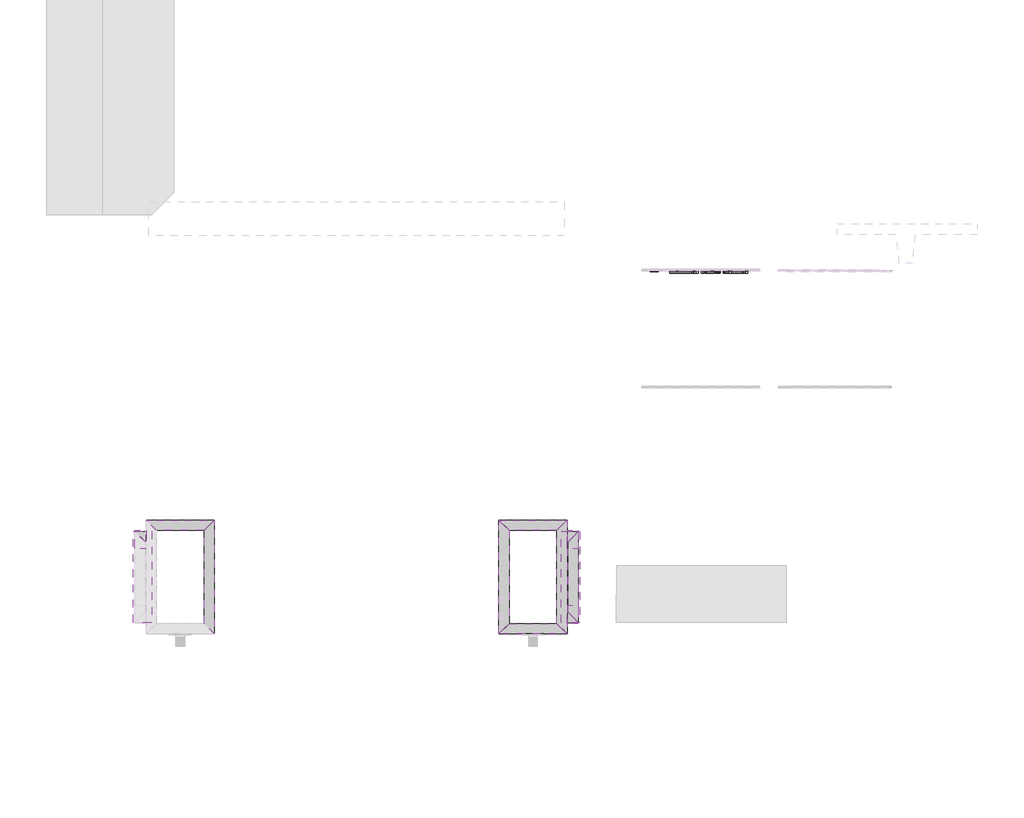
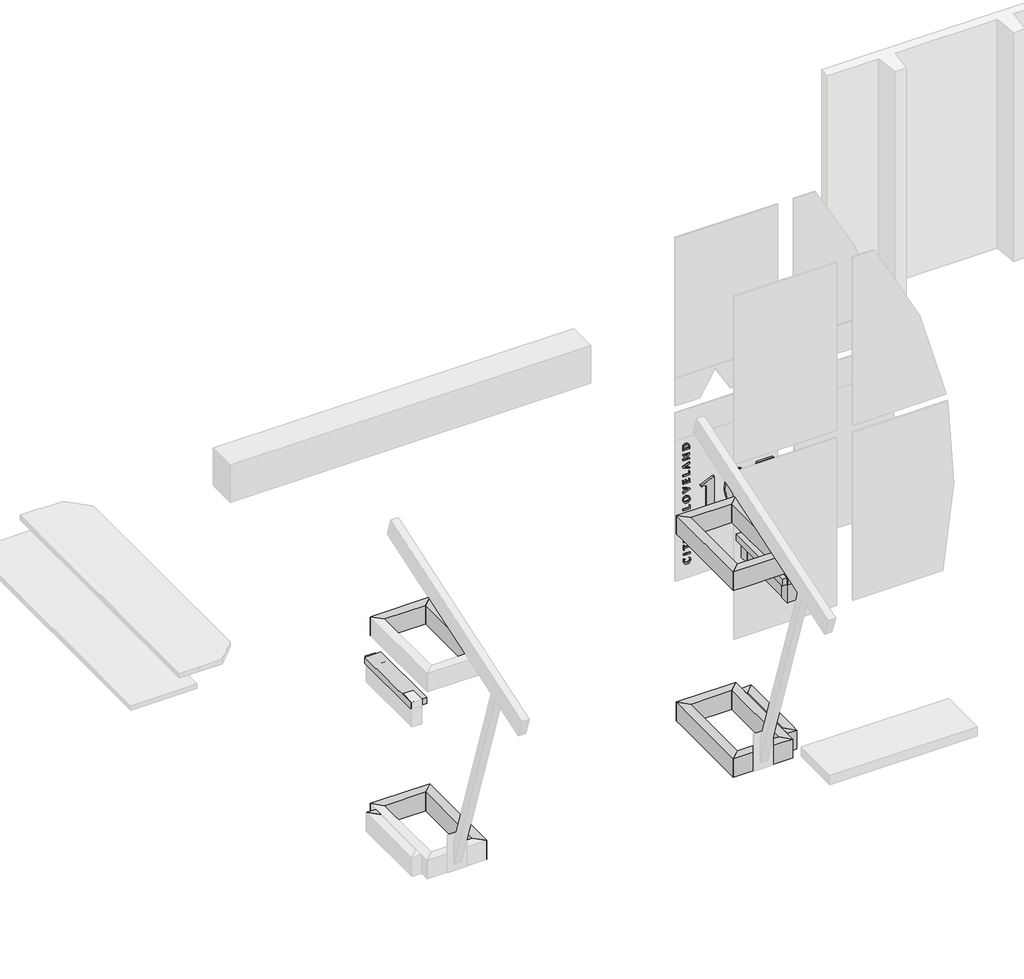
# One storey, part 2 of 2: 28 proxies.
"""IFC4 building model written with IfcOpenShell, lengths in millimetres."""

from ifc_helpers import new_model, si_unit, frame, origin, place, context, project, spatial, polyline, outline, extrude, faceted_brep, element, save

model = new_model("IFC4")

# Units and contexts
model_context = context("Model", 3, world=origin())
ifc_project = project(units=[si_unit("LENGTHUNIT", "METRE", prefix="MILLI")], contexts=[model_context])

# Site, building, storey
site = spatial("IfcSite", under=ifc_project)
building = spatial("IfcBuilding", under=site)
storey = spatial("IfcBuildingStorey", under=building, Elevation=143.7679687)

# Proxies
placement = place(None, origin())
element("IfcBuildingElementProxy", 1, Name="Wall Sweeps", at=placement, inside=storey, context=model_context, shape_type="Brep", body=[
    faceted_brep([(223508.0728488, 156394.9096581, 1159.7592564), (223508.0728488, 156394.9096581, 956.5592564), (223600.1478488, 156302.8346581, 956.5592564), (223600.1478488, 156302.8346581, 1159.7592564), (224117.6728488, 156394.9096581, 1159.7592564), (224025.5978488, 156302.8346581, 1159.7592564), (224025.5978488, 156302.8346581, 956.5592564), (224117.6728488, 156394.9096581, 956.5592564), (223600.1478488, 156394.9096581, 1159.7592564), (223600.1478488, 156394.9096581, 956.5592564)], [[[0, 1, 2, 3]], [[4, 5, 6, 7]], [[1, 0, 8, 4, 7, 9]], [[2, 1, 9, 7, 6]], [[3, 2, 6, 5]], [[0, 3, 5, 4, 8]]]),
])
element("IfcBuildingElementProxy", 2, Name="Wall Sweeps", at=placement, inside=storey, context=model_context, shape_type="Brep", body=[
    faceted_brep([(223508.0728488, 156394.9096581, 3191.7592564), (223508.0728488, 156394.9096581, 2988.5592564), (223600.1478488, 156302.8346581, 2988.5592564), (223600.1478488, 156302.8346581, 3191.7592564), (224117.6728488, 156394.9096581, 3191.7592564), (224025.5978488, 156302.8346581, 3191.7592564), (224025.5978488, 156302.8346581, 2988.5592564), (224117.6728488, 156394.9096581, 2988.5592564), (223600.1478488, 156394.9096581, 2988.5592564)], [[[0, 1, 2, 3]], [[4, 5, 6, 7]], [[1, 0, 4, 7, 8]], [[2, 1, 8, 7, 6]], [[3, 2, 6, 5]], [[0, 3, 5, 4]]]),
])
element("IfcBuildingElementProxy", 3, Name="Wall Sweeps", at=placement, inside=storey, context=model_context, shape_type="Brep", body=[
    faceted_brep([(224117.6728488, 156394.9096581, 1159.7592564), (224117.6728488, 156394.9096581, 956.5592564), (224025.5978488, 156302.8346581, 956.5592564), (224025.5978488, 156302.8346581, 1159.7592564), (224117.6728488, 155378.9096581, 1159.7592564), (224025.5978488, 155470.9846581, 1159.7592564), (224025.5978488, 155470.9846581, 956.5592564), (224117.6728488, 155378.9096581, 956.5592564), (224117.6728488, 156302.8346581, 1159.7592564), (224117.6728488, 156302.8346581, 956.5592564)], [[[0, 1, 2, 3]], [[4, 5, 6, 7]], [[1, 0, 8, 4, 7, 9]], [[2, 1, 9, 7, 6]], [[3, 2, 6, 5]], [[0, 3, 5, 4, 8]]]),
])
element("IfcBuildingElementProxy", 4, Name="Wall Sweeps", at=placement, inside=storey, context=model_context, shape_type="Brep", body=[
    faceted_brep([(224117.6728488, 156394.9096581, 3191.7592564), (224117.6728488, 156394.9096581, 2988.5592564), (224025.5978488, 156302.8346581, 2988.5592564), (224025.5978488, 156302.8346581, 3191.7592564), (224117.6728488, 155378.9096581, 3191.7592564), (224025.5978488, 155470.9846581, 3191.7592564), (224025.5978488, 155470.9846581, 2988.5592564), (224117.6728488, 155378.9096581, 2988.5592564), (224117.6728488, 156302.8346581, 2988.5592564)], [[[0, 1, 2, 3]], [[4, 5, 6, 7]], [[1, 0, 4, 7, 8]], [[2, 1, 8, 7, 6]], [[3, 2, 6, 5]], [[0, 3, 5, 4]]]),
])
element("IfcBuildingElementProxy", 5, Name="Wall Sweeps", at=placement, inside=storey, context=model_context, shape_type="SweptSolid", body=[
    extrude(outline(polyline([(223498.5478488, 156201.2346581), (223406.4728488, 156293.3096581), (223508.0728488, 156293.3096581), (223508.0728488, 156201.2346581), (223498.5478488, 156201.2346581)])), frame((0.0, 0.0, 956.5592564), z_axis=(0.0, 0.0, 1.0), x_axis=(1.0, 0.0, 0.0)), (0.0, 0.0, 1.0), 203.2),
])
element("IfcBuildingElementProxy", 6, Name="Wall Sweeps", at=placement, inside=storey, context=model_context, shape_type="SweptSolid", body=[
    extrude(outline(polyline([(223498.5478488, 156201.2346581), (223406.4728488, 156293.3096581), (223508.0728488, 156293.3096581), (223508.0728488, 156201.2346581), (223498.5478488, 156201.2346581)])), frame((0.0, 0.0, 2582.1592564), z_axis=(0.0, 0.0, 1.0), x_axis=(1.0, 0.0, 0.0)), (0.0, 0.0, 1.0), 203.2),
])
element("IfcBuildingElementProxy", 7, Name="Wall Sweeps", at=placement, inside=storey, context=model_context, shape_type="SweptSolid", body=[
    extrude(outline(polyline([(223558.8728488, 155480.5096581), (223393.7728488, 155480.5096581), (223393.7728488, 156293.3096581), (223558.8728488, 156293.3096581), (223558.8728488, 155480.5096581)])), frame((0.0, 0.0, 2785.3592564), z_axis=(0.0, 0.0, 1.0), x_axis=(1.0, 0.0, 0.0)), (0.0, 0.0, 1.0), 67.7664062),
])
element("IfcBuildingElementProxy", 8, Name="Wall Sweeps", at=placement, inside=storey, context=model_context, shape_type="SweptSolid", body=[
    extrude(outline(polyline([(223406.4728488, 156140.9096581), (223406.4728488, 156306.0096581), (223508.0728488, 156306.0096581), (223508.0728488, 156140.9096581), (223406.4728488, 156140.9096581)])), frame((0.0, 0.0, 2785.3592564), z_axis=(0.0, 0.0, 1.0), x_axis=(1.0, 0.0, 0.0)), (0.0, 0.0, 1.0), 67.7664062),
])
element("IfcBuildingElementProxy", 9, Name="Wall Sweeps", at=placement, inside=storey, context=model_context, shape_type="SweptSolid", body=[
    extrude(outline(polyline([(227267.2728488, 155378.9096581), (227175.1978488, 155470.9846581), (227175.1978488, 156302.8346581), (227267.2728488, 156394.9096581), (227267.2728488, 155378.9096581)])), frame((0.0, 0.0, 956.5592564), z_axis=(0.0, 0.0, 1.0), x_axis=(1.0, 0.0, 0.0)), (0.0, 0.0, 1.0), 203.2),
])
element("IfcBuildingElementProxy", 10, Name="Wall Sweeps", at=placement, inside=storey, context=model_context, shape_type="SweptSolid", body=[
    extrude(outline(polyline([(227267.2728488, 155378.9096581), (227175.1978488, 155470.9846581), (227175.1978488, 156302.8346581), (227267.2728488, 156394.9096581), (227267.2728488, 155378.9096581)])), frame((0.0, 0.0, 2988.5592564), z_axis=(0.0, 0.0, 1.0), x_axis=(1.0, 0.0, 0.0)), (0.0, 0.0, 1.0), 203.2),
])
element("IfcBuildingElementProxy", 11, Name="Wall Sweeps", at=placement, inside=storey, context=model_context, shape_type="Brep", body=[
    faceted_brep([(227267.2728488, 156394.9096581, 1159.7592564), (227175.1978488, 156302.8346581, 1159.7592564), (227175.1978488, 156302.8346581, 956.5592564), (227267.2728488, 156394.9096581, 956.5592564), (226657.6728488, 156394.9096581, 1159.7592564), (226657.6728488, 156394.9096581, 956.5592564), (226749.7478488, 156302.8346581, 956.5592564), (226749.7478488, 156302.8346581, 1159.7592564), (227175.1978488, 156394.9096581, 956.5592564), (227175.1978488, 156394.9096581, 1159.7592564)], [[[0, 1, 2, 3]], [[4, 5, 6, 7]], [[0, 3, 8, 5, 4, 9]], [[3, 2, 6, 5, 8]], [[2, 1, 7, 6]], [[1, 0, 9, 4, 7]]]),
])
element("IfcBuildingElementProxy", 12, Name="Wall Sweeps", at=placement, inside=storey, context=model_context, shape_type="Brep", body=[
    faceted_brep([(227267.2728488, 156394.9096581, 3191.7592564), (227175.1978488, 156302.8346581, 3191.7592564), (227175.1978488, 156302.8346581, 2988.5592564), (227267.2728488, 156394.9096581, 2988.5592564), (226657.6728488, 156394.9096581, 3191.7592564), (226657.6728488, 156394.9096581, 2988.5592564), (226749.7478488, 156302.8346581, 2988.5592564), (226749.7478488, 156302.8346581, 3191.7592564), (227175.1978488, 156394.9096581, 2988.5592564)], [[[0, 1, 2, 3]], [[4, 5, 6, 7]], [[0, 3, 8, 5, 4]], [[3, 2, 6, 5, 8]], [[2, 1, 7, 6]], [[1, 0, 4, 7]]]),
])
element("IfcBuildingElementProxy", 13, Name="Wall Sweeps", at=placement, inside=storey, context=model_context, shape_type="Brep", body=[
    faceted_brep([(226657.6728488, 156394.9096581, 1159.7592564), (226749.7478488, 156302.8346581, 1159.7592564), (226749.7478488, 156302.8346581, 956.5592564), (226657.6728488, 156394.9096581, 956.5592564), (226657.6728488, 155378.9096581, 1159.7592564), (226657.6728488, 155378.9096581, 956.5592564), (226749.7478488, 155470.9846581, 956.5592564), (226749.7478488, 155470.9846581, 1159.7592564), (226657.6728488, 156302.8346581, 956.5592564), (226657.6728488, 156302.8346581, 1159.7592564)], [[[0, 1, 2, 3]], [[4, 5, 6, 7]], [[0, 3, 8, 5, 4, 9]], [[3, 2, 6, 5, 8]], [[2, 1, 7, 6]], [[1, 0, 9, 4, 7]]]),
])
element("IfcBuildingElementProxy", 14, Name="Wall Sweeps", at=placement, inside=storey, context=model_context, shape_type="Brep", body=[
    faceted_brep([(226657.6728488, 156394.9096581, 3191.7592564), (226749.7478488, 156302.8346581, 3191.7592564), (226749.7478488, 156302.8346581, 2988.5592564), (226657.6728488, 156394.9096581, 2988.5592564), (226657.6728488, 155378.9096581, 3191.7592564), (226657.6728488, 155378.9096581, 2988.5592564), (226749.7478488, 155470.9846581, 2988.5592564), (226749.7478488, 155470.9846581, 3191.7592564), (226657.6728488, 156302.8346581, 2988.5592564)], [[[0, 1, 2, 3]], [[4, 5, 6, 7]], [[0, 3, 8, 5, 4]], [[3, 2, 6, 5, 8]], [[2, 1, 7, 6]], [[1, 0, 4, 7]]]),
])
element("IfcBuildingElementProxy", 15, Name="Wall Sweeps", at=placement, inside=storey, context=model_context, shape_type="Brep", body=[
    faceted_brep([(226657.6728488, 155378.9096581, 1159.7592564), (226749.7478488, 155470.9846581, 1159.7592564), (226749.7478488, 155470.9846581, 956.5592564), (226657.6728488, 155378.9096581, 956.5592564), (227267.2728488, 155378.9096581, 1159.7592564), (227267.2728488, 155378.9096581, 956.5592564), (227175.1978488, 155470.9846581, 956.5592564), (227175.1978488, 155470.9846581, 1159.7592564), (226749.7478488, 155378.9096581, 956.5592564), (227175.1978488, 155378.9096581, 956.5592564), (227175.1978488, 155378.9096581, 1159.7592564), (226749.7478488, 155378.9096581, 1159.7592564)], [[[0, 1, 2, 3]], [[4, 5, 6, 7]], [[0, 3, 8, 9, 5, 4, 10, 11]], [[3, 2, 6, 5, 9, 8]], [[2, 1, 7, 6]], [[1, 0, 11, 10, 4, 7]]]),
])
element("IfcBuildingElementProxy", 16, Name="Wall Sweeps", at=placement, inside=storey, context=model_context, shape_type="Brep", body=[
    faceted_brep([(226657.6728488, 155378.9096581, 3191.7592564), (226749.7478488, 155470.9846581, 3191.7592564), (226749.7478488, 155470.9846581, 2988.5592564), (226657.6728488, 155378.9096581, 2988.5592564), (227267.2728488, 155378.9096581, 3191.7592564), (227267.2728488, 155378.9096581, 2988.5592564), (227175.1978488, 155470.9846581, 2988.5592564), (227175.1978488, 155470.9846581, 3191.7592564), (226749.7478488, 155378.9096581, 2988.5592564), (227175.1978488, 155378.9096581, 2988.5592564)], [[[0, 1, 2, 3]], [[4, 5, 6, 7]], [[0, 3, 8, 9, 5, 4]], [[3, 2, 6, 5, 9, 8]], [[2, 1, 7, 6]], [[1, 0, 4, 7]]]),
])
element("IfcBuildingElementProxy", 17, Name="Wall Sweeps", at=placement, inside=storey, context=model_context, shape_type="SweptSolid", body=[
    extrude(outline(polyline([(227267.2728488, 155480.5096581), (227267.2728488, 155572.5846581), (227276.7978488, 155572.5846581), (227368.8728488, 155480.5096581), (227267.2728488, 155480.5096581)])), frame((0.0, 0.0, 956.5592564), z_axis=(0.0, 0.0, 1.0), x_axis=(1.0, 0.0, 0.0)), (0.0, 0.0, 1.0), 203.2),
])
element("IfcBuildingElementProxy", 18, Name="Wall Sweeps", at=placement, inside=storey, context=model_context, shape_type="SweptSolid", body=[
    extrude(outline(polyline([(227267.2728488, 155480.5096581), (227267.2728488, 155572.5846581), (227276.7978488, 155572.5846581), (227368.8728488, 155480.5096581), (227267.2728488, 155480.5096581)])), frame((0.0, 0.0, 2582.1592564), z_axis=(0.0, 0.0, 1.0), x_axis=(1.0, 0.0, 0.0)), (0.0, 0.0, 1.0), 203.2),
])
element("IfcBuildingElementProxy", 19, Name="Wall Sweeps", at=placement, inside=storey, context=model_context, shape_type="Brep", body=[
    faceted_brep([(227368.8728488, 155480.5096581, 1159.7592564), (227276.7978488, 155572.5846581, 1159.7592564), (227276.7978488, 155572.5846581, 956.5592564), (227368.8728488, 155480.5096581, 956.5592564), (227368.8728488, 156293.3096581, 1159.7592564), (227368.8728488, 156293.3096581, 956.5592564), (227276.7978488, 156201.2346581, 956.5592564), (227276.7978488, 156201.2346581, 1159.7592564), (227368.8728488, 155572.5846581, 956.5592564), (227368.8728488, 156201.2346581, 956.5592564), (227368.8728488, 156201.2346581, 1159.7592564), (227368.8728488, 155572.5846581, 1159.7592564)], [[[0, 1, 2, 3]], [[4, 5, 6, 7]], [[0, 3, 8, 9, 5, 4, 10, 11]], [[3, 2, 6, 5, 9, 8]], [[2, 1, 7, 6]], [[1, 0, 11, 10, 4, 7]]]),
])
element("IfcBuildingElementProxy", 20, Name="Wall Sweeps", at=placement, inside=storey, context=model_context, shape_type="Brep", body=[
    faceted_brep([(227368.8728488, 155480.5096581, 2785.3592564), (227276.7978488, 155572.5846581, 2785.3592564), (227276.7978488, 155572.5846581, 2582.1592564), (227368.8728488, 155480.5096581, 2582.1592564), (227368.8728488, 156293.3096581, 2785.3592564), (227368.8728488, 156293.3096581, 2582.1592564), (227276.7978488, 156201.2346581, 2582.1592564), (227276.7978488, 156201.2346581, 2785.3592564), (227368.8728488, 155572.5846581, 2582.1592564), (227368.8728488, 156201.2346581, 2582.1592564)], [[[0, 1, 2, 3]], [[4, 5, 6, 7]], [[0, 3, 8, 9, 5, 4]], [[3, 2, 6, 5, 9, 8]], [[2, 1, 7, 6]], [[1, 0, 4, 7]]]),
])
element("IfcBuildingElementProxy", 21, Name="Wall Sweeps", at=placement, inside=storey, context=model_context, shape_type="SweptSolid", body=[
    extrude(outline(polyline([(227368.8728488, 156293.3096581), (227276.7978488, 156201.2346581), (227267.2728488, 156201.2346581), (227267.2728488, 156293.3096581), (227368.8728488, 156293.3096581)])), frame((0.0, 0.0, 956.5592564), z_axis=(0.0, 0.0, 1.0), x_axis=(1.0, 0.0, 0.0)), (0.0, 0.0, 1.0), 203.2),
])
element("IfcBuildingElementProxy", 22, Name="Wall Sweeps", at=placement, inside=storey, context=model_context, shape_type="SweptSolid", body=[
    extrude(outline(polyline([(227368.8728488, 156293.3096581), (227276.7978488, 156201.2346581), (227267.2728488, 156201.2346581), (227267.2728488, 156293.3096581), (227368.8728488, 156293.3096581)])), frame((0.0, 0.0, 2582.1592564), z_axis=(0.0, 0.0, 1.0), x_axis=(1.0, 0.0, 0.0)), (0.0, 0.0, 1.0), 203.2),
])
element("IfcBuildingElementProxy", 23, Name="Wall Sweeps", at=placement, inside=storey, context=model_context, shape_type="SweptSolid", body=[
    extrude(outline(polyline([(227267.2728488, 155467.8096581), (227267.2728488, 155632.9096581), (227368.8728488, 155632.9096581), (227368.8728488, 155467.8096581), (227267.2728488, 155467.8096581)])), frame((0.0, 0.0, 2785.3592564), z_axis=(0.0, 0.0, 1.0), x_axis=(1.0, 0.0, 0.0)), (0.0, 0.0, 1.0), 67.7664062),
])
element("IfcBuildingElementProxy", 24, Name="Wall Sweeps", at=placement, inside=storey, context=model_context, shape_type="SweptSolid", body=[
    extrude(outline(polyline([(227381.5728488, 155480.5096581), (227216.4728488, 155480.5096581), (227216.4728488, 156293.3096581), (227381.5728488, 156293.3096581), (227381.5728488, 155480.5096581)])), frame((0.0, 0.0, 2785.3592564), z_axis=(0.0, 0.0, 1.0), x_axis=(1.0, 0.0, 0.0)), (0.0, 0.0, 1.0), 67.7664062),
])
element("IfcBuildingElementProxy", 25, Name="Wall Sweeps", at=placement, inside=storey, context=model_context, shape_type="SweptSolid", body=[
    extrude(outline(polyline([(227368.8728488, 156306.0096581), (227368.8728488, 156140.9096581), (227267.2728488, 156140.9096581), (227267.2728488, 156306.0096581), (227368.8728488, 156306.0096581)])), frame((0.0, 0.0, 2785.3592564), z_axis=(0.0, 0.0, 1.0), x_axis=(1.0, 0.0, 0.0)), (0.0, 0.0, 1.0), 67.7664062),
])
element("IfcBuildingElementProxy", 26, Name="14", ObjectType="14", at=placement, inside=storey, context=model_context, shape_type="SweptSolid", body=[
    extrude(outline(polyline([(1698.4769474, 228320.8876564), (1698.4769474, 228312.4606772), (1639.2102807, 228184.5743231), (1627.3569474, 228189.0193231), (1633.5382755, 228205.61862), (1635.5987182, 228219.4860939), (1631.3389265, 228233.3767189), (1621.1987703, 228241.6184897), (1591.7969474, 228243.8409897), (1413.9969474, 228243.8409897), (1373.4363224, 228240.3683335), (1365.6575724, 228235.3098309), (1359.7309057, 228227.0796356), (1355.980437, 228213.9298439), (1354.7302807, 228194.1125522), (1354.7302807, 228184.5743231), (1342.8769474, 228184.5743231), (1342.8769474, 228374.2276564), (1354.7302807, 228374.2276564), (1354.7302807, 228365.9858856), (1356.0961922, 228348.2290366), (1360.1939265, 228336.0747397), (1366.4447078, 228328.3307163), (1374.2697599, 228323.8046877), (1413.9969474, 228320.8876564), (1698.4769474, 228320.8876564)])), frame((0.0, 158598.3596581, 0.0), z_axis=(0.0, 1.0, 0.0), x_axis=(0.0, 0.0, 1.0)), (0.0, 0.0, 1.0), 25.4),
    extrude(outline(polyline([(1517.713614, 228664.6343231), (1572.3269213, 228660.2124741), (1622.4489265, 228646.9469272), (1653.7144083, 228630.6601694), (1677.8725203, 228607.1734377), (1693.3258406, 228579.0796486), (1698.4769474, 228548.9717189), (1693.2563875, 228519.1068752), (1677.5947078, 228490.8163022), (1652.1401375, 228466.8318231), (1617.5409057, 228449.8852606), (1567.9050724, 228437.5920575), (1513.6390307, 228433.4943231), (1472.5227807, 228436.3419012), (1432.702989, 228444.8846356), (1406.6812182, 228454.3071095), (1386.4009057, 228465.1649481), (1365.2871557, 228482.4703517), (1349.7296557, 228502.1603127), (1340.1451245, 228524.304284), (1336.9502807, 228548.9717189), (1339.5431974, 228570.8031512), (1347.3219474, 228590.9214064), (1359.5225463, 228609.1644272), (1375.3810099, 228625.3701564), (1395.5455672, 228639.00612), (1420.6644474, 228649.5398439), (1467.4758536, 228660.8607033), (1517.713614, 228664.6343231)]), holes=[polyline([(1517.713614, 228587.5876564), (1407.3294474, 228586.3838022), (1381.2382234, 228582.0082554), (1362.9720515, 228572.4005731), (1356.7907234, 228563.2790627), (1354.7302807, 228550.5459897), (1356.269825, 228538.4264194), (1360.8884578, 228528.9229168), (1370.0678458, 228521.6882163), (1385.2896557, 228516.3750522), (1422.6091349, 228511.9995054), (1484.376114, 228510.5409897), (1591.8664005, 228511.4901825), (1642.8218432, 228514.3377606), (1662.0835099, 228519.8940106), (1674.4924682, 228528.9692189), (1679.1458276, 228537.5351043), (1680.6969474, 228548.7865106), (1678.6365047, 228562.8391929), (1672.4551765, 228572.4005731), (1654.0964005, 228581.4526304), (1624.2084057, 228586.3838022), (1517.713614, 228587.5876564)])]), frame((0.0, 158598.3596581, 0.0), z_axis=(0.0, 1.0, 0.0), x_axis=(0.0, 0.0, 1.0)), (0.0, 0.0, 1.0), 25.4),
    extrude(outline(polyline([(1692.5502807, 228765.3876564), (1514.7502807, 228700.1943231), (1515.0280932, 228721.4006772), (1513.2628263, 228755.033353), (1507.9670255, 228785.6448179), (1499.1406909, 228813.2350718), (1486.7838224, 228837.8041147), (1471.6083146, 228857.9802476), (1454.326062, 228872.391771), (1434.9370646, 228881.0386851), (1413.4413224, 228883.9209897), (1393.2420385, 228880.1242189), (1376.1681453, 228868.7339064), (1364.5347469, 228851.9262502), (1360.6569474, 228831.8774481), (1363.9906974, 228813.4492189), (1380.1964265, 228785.6679689), (1403.6252807, 228749.5523439), (1408.0702807, 228728.7164064), (1405.9056583, 228718.0322007), (1399.4117911, 228708.7602085), (1390.0934969, 228702.3357944), (1379.4555932, 228700.1943231), (1365.5418172, 228704.2920575), (1353.248614, 228716.5852606), (1341.024864, 228745.130495), (1336.9502807, 228783.9084897), (1340.8165047, 228822.9064194), (1352.4151765, 228858.5937502), (1371.7694474, 228888.9563413), (1398.9024682, 228911.9800522), (1430.2952807, 228926.4957554), (1462.4289265, 228931.3343231), (1486.720157, 228928.7471942), (1508.9393692, 228920.9858075), (1529.0865633, 228908.0501629), (1547.161739, 228889.9402606), (1565.4394864, 228862.1127085), (1578.9712703, 228828.9141147), (1587.7570906, 228790.3444793), (1591.7969474, 228746.4038022), (1621.4302807, 228757.2384897), (1621.4302807, 228907.6276564), (1692.5502807, 228931.3343231), (1692.5502807, 228765.3876564)])), frame((0.0, 158598.3596581, 0.0), z_axis=(0.0, 1.0, 0.0), x_axis=(0.0, 0.0, 1.0)), (0.0, 0.0, 1.0), 25.4),
])
element("IfcBuildingElementProxy", 27, Name="2\"", ObjectType="2\"", at=placement, inside=storey, context=model_context, shape_type="SweptSolid", body=[
    extrude(outline(polyline([(1245.6723838, 228266.6890043), (1198.969158, 228280.6180365), (1198.969158, 228284.4203551), (1198.969158, 228287.9922301), (1231.7945612, 228299.4503954), (1198.969158, 228310.1148107), (1198.969158, 228313.8531172), (1198.969158, 228317.4890043), (1219.6578676, 228324.1334599), (1245.6723838, 228333.876101), (1245.6723838, 228330.304226), (1245.6723838, 228326.8347704), (1213.013412, 228316.5160204), (1245.6723838, 228306.0180365), (1245.6723838, 228302.3181373), (1245.6723838, 228298.643843), (1212.8469805, 228287.1600728), (1245.6723838, 228278.5440446), (1245.6723838, 228272.7189438), (1245.6723838, 228266.6890043)])), frame((0.0, 158598.3596581, 0.0), z_axis=(0.0, 1.0, 0.0), x_axis=(0.0, 0.0, 1.0)), (0.0, 0.0, 1.0), 25.4),
    extrude(outline(polyline([(1198.969158, 228339.6115849), (1198.969158, 228349.8151131), (1198.969158, 228365.0115849), (1201.4144201, 228365.0115849), (1203.885287, 228365.0115849), (1203.885287, 228352.7468672), (1203.885287, 228349.443843), (1220.2723838, 228349.443843), (1220.2723838, 228353.6430365), (1220.2723838, 228364.1922301), (1222.7176459, 228364.1922301), (1225.1885128, 228364.1922301), (1225.1885128, 228353.3485809), (1225.1885128, 228349.443843), (1240.7562547, 228349.443843), (1240.7562547, 228365.0115849), (1243.2271217, 228365.0115849), (1245.6723838, 228365.0115849), (1245.6723838, 228352.7212623), (1245.6723838, 228339.6115849), (1229.4005088, 228339.6115849), (1214.8569604, 228339.6115849), (1198.969158, 228339.6115849)])), frame((0.0, 158598.3596581, 0.0), z_axis=(0.0, 1.0, 0.0), x_axis=(0.0, 0.0, 1.0)), (0.0, 0.0, 1.0), 25.4),
    extrude(outline(polyline([(1201.107162, 228370.7470688), (1198.7515168, 228376.9690446), (1198.1498031, 228382.8581575), (1202.6690572, 228395.5837623), (1213.5255088, 228400.243843), (1221.0405289, 228397.9394075), (1226.7888152, 228390.3731777), (1231.2824644, 228382.3972704), (1236.3394201, 228379.759972), (1240.7306499, 228381.8211615), (1242.3949644, 228387.0829559), (1241.1275249, 228391.9350728), (1236.6594805, 228396.5311414), (1243.4447628, 228398.6051333), (1245.6979886, 228393.3945486), (1246.4917386, 228387.5182381), (1242.535791, 228375.9960607), (1232.0506096, 228371.5664236), (1224.4715773, 228373.6276131), (1218.8769201, 228380.8225728), (1214.050408, 228389.3745889), (1209.1598838, 228392.0502946), (1204.3077668, 228389.8610809), (1202.2465773, 228383.5494881), (1204.0517184, 228377.8012019), (1209.7743999, 228374.1909196), (1209.6207709, 228372.5138027), (1201.107162, 228370.7470688)])), frame((0.0, 158598.3596581, 0.0), z_axis=(0.0, 1.0, 0.0), x_axis=(0.0, 0.0, 1.0)), (0.0, 0.0, 1.0), 25.4),
    extrude(outline(polyline([(1240.7562547, 228404.3406172), (1240.7562547, 228416.7461615), (1237.8245007, 228416.6309398), (1198.969158, 228416.6309398), (1198.969158, 228421.5470688), (1198.969158, 228426.4631978), (1237.8245007, 228426.4631978), (1240.7562547, 228426.5784196), (1240.7562547, 228438.7535204), (1243.2015168, 228438.7535204), (1245.6723838, 228438.7535204), (1245.6723838, 228421.5470688), (1245.6723838, 228404.3406172), (1243.2271217, 228404.3406172), (1240.7562547, 228404.3406172)])), frame((0.0, 158598.3596581, 0.0), z_axis=(0.0, 1.0, 0.0), x_axis=(0.0, 0.0, 1.0)), (0.0, 0.0, 1.0), 25.4),
    extrude(outline(polyline([(1198.969158, 228465.7922301), (1198.969158, 228470.8235809), (1198.969158, 228475.6244881), (1221.0917386, 228475.6244881), (1221.0917386, 228480.3741857), (1221.0917386, 228490.3728752), (1223.5626055, 228490.3728752), (1226.0078676, 228490.3728752), (1226.0078676, 228480.2717664), (1226.0078676, 228475.6244881), (1240.7562547, 228475.6244881), (1240.7562547, 228478.1593672), (1240.7562547, 228491.1922301), (1243.2015168, 228491.1922301), (1245.6723838, 228491.1922301), (1245.6723838, 228482.6530164), (1245.6723838, 228465.7922301), (1225.5981902, 228465.7922301), (1198.969158, 228465.7922301)])), frame((0.0, 158598.3596581, 0.0), z_axis=(0.0, 1.0, 0.0), x_axis=(0.0, 0.0, 1.0)), (0.0, 0.0, 1.0), 25.4),
    extrude(outline(polyline([(1198.969158, 228500.2051333), (1198.969158, 228505.1468672), (1198.969158, 228510.0373914), (1217.4046418, 228510.0373914), (1223.4601862, 228510.0373914), (1245.6723838, 228510.0373914), (1245.6723838, 228505.1212623), (1245.6723838, 228500.2051333), (1221.5782305, 228500.2051333), (1198.969158, 228500.2051333)])), frame((0.0, 158598.3596581, 0.0), z_axis=(0.0, 1.0, 0.0), x_axis=(0.0, 0.0, 1.0)), (0.0, 0.0, 1.0), 25.4),
    extrude(outline(polyline([(1198.969158, 228523.1470688), (1198.969158, 228528.1784196), (1198.969158, 228532.9793269), (1221.0917386, 228532.9793269), (1221.0917386, 228537.7290244), (1221.0917386, 228547.7277139), (1223.5626055, 228547.7277139), (1226.0078676, 228547.7277139), (1226.0078676, 228537.6266051), (1226.0078676, 228532.9793269), (1240.7562547, 228532.9793269), (1240.7562547, 228535.5142059), (1240.7562547, 228548.5470688), (1243.2015168, 228548.5470688), (1245.6723838, 228548.5470688), (1245.6723838, 228540.0078551), (1245.6723838, 228523.1470688), (1225.5981902, 228523.1470688), (1198.969158, 228523.1470688)])), frame((0.0, 158598.3596581, 0.0), z_axis=(0.0, 1.0, 0.0), x_axis=(0.0, 0.0, 1.0)), (0.0, 0.0, 1.0), 25.4),
    extrude(outline(polyline([(1240.7562547, 228552.643843), (1240.7562547, 228565.0493873), (1237.8245007, 228564.9341656), (1198.969158, 228564.9341656), (1198.969158, 228569.8502946), (1198.969158, 228574.7664236), (1237.8245007, 228574.7664236), (1240.7562547, 228574.8816454), (1240.7562547, 228587.0567462), (1243.2015168, 228587.0567462), (1245.6723838, 228587.0567462), (1245.6723838, 228569.8502946), (1245.6723838, 228552.643843), (1243.2271217, 228552.643843), (1240.7562547, 228552.643843)])), frame((0.0, 158598.3596581, 0.0), z_axis=(0.0, 1.0, 0.0), x_axis=(0.0, 0.0, 1.0)), (0.0, 0.0, 1.0), 25.4),
    extrude(outline(polyline([(1245.6723838, 228595.2502946), (1223.6010128, 228595.2502946), (1198.969158, 228595.2502946), (1198.969158, 228600.1408188), (1198.969158, 228605.0825527), (1221.9110934, 228605.0825527), (1221.9110934, 228613.8266051), (1221.9110934, 228626.3857785), (1198.969158, 228626.3857785), (1198.969158, 228631.3915244), (1198.969158, 228636.2180365), (1224.1643193, 228636.2180365), (1245.6723838, 228636.2180365), (1245.6723838, 228631.3275123), (1245.6723838, 228626.3857785), (1226.8272225, 228626.3857785), (1226.8272225, 228615.9774115), (1226.8272225, 228605.0825527), (1245.6723838, 228605.0825527), (1245.6723838, 228600.1664236), (1245.6723838, 228595.2502946)])), frame((0.0, 158598.3596581, 0.0), z_axis=(0.0, 1.0, 0.0), x_axis=(0.0, 0.0, 1.0)), (0.0, 0.0, 1.0), 25.4),
    extrude(outline(polyline([(1201.107162, 228663.2567462), (1198.7515168, 228669.478722), (1198.1498031, 228675.3678349), (1202.6690572, 228688.0934398), (1213.5255088, 228692.7535204), (1221.0405289, 228690.4490849), (1226.7888152, 228682.8828551), (1231.2824644, 228674.9069478), (1236.3394201, 228672.2696494), (1240.7306499, 228674.3308389), (1242.3949644, 228679.5926333), (1241.1275249, 228684.4447502), (1236.6594805, 228689.0408188), (1243.4447628, 228691.1148107), (1245.6979886, 228685.904226), (1246.4917386, 228680.0279156), (1242.535791, 228668.5057381), (1232.0506096, 228664.076101), (1224.4715773, 228666.1372906), (1218.8769201, 228673.3322502), (1214.050408, 228681.8842664), (1209.1598838, 228684.559972), (1204.3077668, 228682.3707583), (1202.2465773, 228676.0591656), (1204.0517184, 228670.3108793), (1209.7743999, 228666.700597), (1209.6207709, 228665.0234801), (1201.107162, 228663.2567462)])), frame((0.0, 158598.3596581, 0.0), z_axis=(0.0, 1.0, 0.0), x_axis=(0.0, 0.0, 1.0)), (0.0, 0.0, 1.0), 25.4),
    extrude(outline(polyline([(1240.7562547, 228696.8502946), (1240.7562547, 228709.2558389), (1237.8245007, 228709.1406172), (1198.969158, 228709.1406172), (1198.969158, 228714.0567462), (1198.969158, 228718.9728752), (1237.8245007, 228718.9728752), (1240.7562547, 228719.088097), (1240.7562547, 228731.2631978), (1243.2015168, 228731.2631978), (1245.6723838, 228731.2631978), (1245.6723838, 228714.0567462), (1245.6723838, 228696.8502946), (1243.2271217, 228696.8502946), (1240.7562547, 228696.8502946)])), frame((0.0, 158598.3596581, 0.0), z_axis=(0.0, 1.0, 0.0), x_axis=(0.0, 0.0, 1.0)), (0.0, 0.0, 1.0), 25.4),
    extrude(outline(polyline([(1198.969158, 228738.6373914), (1198.969158, 228743.5279156), (1198.969158, 228748.4696494), (1202.7458717, 228748.4696494), (1206.3049443, 228748.4696494), (1211.9252064, 228748.4696494), (1215.2026257, 228748.4696494), (1218.3136136, 228748.4696494), (1221.0917386, 228748.6488833), (1210.5553475, 228755.0244881), (1202.7458717, 228759.2748914), (1198.969158, 228761.3872906), (1198.969158, 228767.4812422), (1198.969158, 228773.8696494), (1222.1159322, 228759.1212623), (1226.6095814, 228767.3020083), (1234.0733918, 228769.7728752), (1242.4077668, 228766.3034196), (1245.6723838, 228756.3175325), (1245.6723838, 228750.3900123), (1245.6723838, 228744.4624922), (1245.6723838, 228738.6373914), (1238.9383112, 228738.6373914), (1228.2354886, 228738.6373914), (1218.4928475, 228738.6373914), (1198.969158, 228738.6373914)]), holes=[polyline([(1223.4601862, 228748.4696494), (1241.4987951, 228748.4696494), (1241.5756096, 228751.388601), (1239.3991983, 228756.5351736), (1233.6381096, 228758.3019075), (1226.3919402, 228755.9846696), (1223.5498031, 228750.1083591), (1223.4601862, 228748.4696494)])]), frame((0.0, 158598.3596581, 0.0), z_axis=(0.0, 1.0, 0.0), x_axis=(0.0, 0.0, 1.0)), (0.0, 0.0, 1.0), 25.4),
    extrude(outline(polyline([(1198.969158, 228780.4244881), (1198.969158, 228790.6280164), (1198.969158, 228805.8244881), (1201.4144201, 228805.8244881), (1203.885287, 228805.8244881), (1203.885287, 228793.5597704), (1203.885287, 228790.2567462), (1220.2723838, 228790.2567462), (1220.2723838, 228794.4559398), (1220.2723838, 228805.0051333), (1222.7176459, 228805.0051333), (1225.1885128, 228805.0051333), (1225.1885128, 228794.1614841), (1225.1885128, 228790.2567462), (1240.7562547, 228790.2567462), (1240.7562547, 228805.8244881), (1243.2271217, 228805.8244881), (1245.6723838, 228805.8244881), (1245.6723838, 228793.5341656), (1245.6723838, 228780.4244881), (1229.4005088, 228780.4244881), (1214.8569604, 228780.4244881), (1198.969158, 228780.4244881)])), frame((0.0, 158598.3596581, 0.0), z_axis=(0.0, 1.0, 0.0), x_axis=(0.0, 0.0, 1.0)), (0.0, 0.0, 1.0), 25.4),
    extrude(outline(polyline([(1198.969158, 228814.8373914), (1198.969158, 228825.0409196), (1198.969158, 228840.2373914), (1201.4144201, 228840.2373914), (1203.885287, 228840.2373914), (1203.885287, 228827.9726736), (1203.885287, 228824.6696494), (1220.2723838, 228824.6696494), (1220.2723838, 228828.868843), (1220.2723838, 228839.4180365), (1222.7176459, 228839.4180365), (1225.1885128, 228839.4180365), (1225.1885128, 228828.5743873), (1225.1885128, 228824.6696494), (1240.7562547, 228824.6696494), (1240.7562547, 228840.2373914), (1243.2271217, 228840.2373914), (1245.6723838, 228840.2373914), (1245.6723838, 228827.9470688), (1245.6723838, 228814.8373914), (1229.4005088, 228814.8373914), (1214.8569604, 228814.8373914), (1198.969158, 228814.8373914)])), frame((0.0, 158598.3596581, 0.0), z_axis=(0.0, 1.0, 0.0), x_axis=(0.0, 0.0, 1.0)), (0.0, 0.0, 1.0), 25.4),
    extrude(outline(polyline([(1240.7562547, 228845.1535204), (1240.7562547, 228857.5590648), (1237.8245007, 228857.443843), (1198.969158, 228857.443843), (1198.969158, 228862.359972), (1198.969158, 228867.276101), (1237.8245007, 228867.276101), (1240.7562547, 228867.3913228), (1240.7562547, 228879.5664236), (1243.2015168, 228879.5664236), (1245.6723838, 228879.5664236), (1245.6723838, 228862.359972), (1245.6723838, 228845.1535204), (1243.2271217, 228845.1535204), (1240.7562547, 228845.1535204)])), frame((0.0, 158598.3596581, 0.0), z_axis=(0.0, 1.0, 0.0), x_axis=(0.0, 0.0, 1.0)), (0.0, 0.0, 1.0), 25.4),
])
element("IfcBuildingElementProxy", 28, Name="3\"", ObjectType="3\"", at=placement, inside=storey, context=model_context, shape_type="SweptSolid", body=[
    extrude(outline(polyline([(890.6689229, 228026.1359839), (893.6969762, 228014.517632), (882.5567037, 228011.1696924), (872.7961172, 228010.3863748), (856.5417554, 228012.9567713), (843.6119268, 228020.4415975), (835.1887016, 228032.2428626), (832.4541499, 228047.762576), (835.2990904, 228062.6373156), (843.6223481, 228073.7710735), (856.1485842, 228080.6774031), (871.6027027, 228082.9082638), (882.0813668, 228081.84346), (891.9483536, 228078.1899787), (892.8059367, 228068.0256388), (883.0163331, 228074.8088853), (874.0603056, 228076.7474549), (864.1480523, 228074.7552426), (856.3798054, 228068.6398278), (851.3788731, 228059.0310052), (849.6533436, 228046.5592977), (851.2092248, 228034.4557423), (856.045974, 228024.9144008), (863.5440347, 228018.6593376), (872.969359, 228016.5305643), (881.8538748, 228018.4716569), (890.6689229, 228026.1359839)])), frame((0.0, 158611.0596581, 0.0), z_axis=(0.0, 1.0, 0.0), x_axis=(0.0, 0.0, 1.0)), (0.0, 0.0, 1.0), 12.7),
    extrude(outline(polyline([(935.9066093, 228081.2729906), (943.3190622, 228081.2261652), (950.6547021, 228081.1798249), (950.4800165, 228053.5271509), (950.4226371, 228044.4440156), (950.2121651, 228011.126384), (942.8381187, 228011.1729668), (935.4640723, 228011.2195497), (935.6923768, 228047.3600584), (935.9066093, 228081.2729906)])), frame((0.0, 158611.0596581, 0.0), z_axis=(0.0, 1.0, 0.0), x_axis=(0.0, 0.0, 1.0)), (0.0, 0.0, 1.0), 12.7),
    extrude(outline(polyline([(990.8160033, 228018.2442248), (1009.4239485, 228018.1266759), (1009.2788992, 228022.525311), (1009.6470734, 228080.8071622), (1017.0211199, 228080.7605794), (1024.3951663, 228080.7139965), (1024.026992, 228022.4321453), (1024.1720413, 228018.0335102), (1042.4343282, 228017.9181449), (1042.4111581, 228014.250325), (1042.3877453, 228010.5440985), (1016.5785829, 228010.7071384), (990.7694204, 228010.8701784), (990.7925905, 228014.5379983), (990.8160033, 228018.2442248)])), frame((0.0, 158611.0596581, 0.0), z_axis=(0.0, 1.0, 0.0), x_axis=(0.0, 0.0, 1.0)), (0.0, 0.0, 1.0), 12.7),
    extrude(outline(polyline([(1074.3419465, 228010.3422395), (1087.1314177, 228031.5586962), (1097.9506335, 228050.9632182), (1098.0325174, 228063.9254091), (1098.1356304, 228080.2481681), (1105.5480833, 228080.2013427), (1112.8837233, 228080.1550025), (1112.7812167, 228063.9282597), (1112.6987263, 228050.8700525), (1122.9395271, 228030.391495), (1134.5633255, 228009.961813), (1129.2056199, 228009.9956583), (1123.7903046, 228010.0298676), (1108.9162811, 228041.868061), (1093.986867, 228010.2181399), (1084.3852441, 228010.2787947), (1074.3419465, 228010.3422395)])), frame((0.0, 158611.0596581, 0.0), z_axis=(0.0, 1.0, 0.0), x_axis=(0.0, 0.0, 1.0)), (0.0, 0.0, 1.0), 12.7),
    extrude(outline(polyline([(1196.2420167, 228045.7141314), (1199.0281647, 228060.4020033), (1207.1781989, 228071.4744425), (1219.4451913, 228078.3824097), (1234.5440497, 228080.6155146), (1250.9598194, 228077.7560383), (1263.3368966, 228069.4105234), (1271.1242614, 228057.2724038), (1273.6554322, 228042.997435), (1270.9811283, 228028.5345038), (1263.1622591, 228017.4455695), (1251.1631114, 228010.3774772), (1235.9486999, 228008.0922912), (1219.7383339, 228010.7872359), (1207.0557123, 228018.6449787), (1198.8929136, 228030.6318377), (1196.2420167, 228045.7141314)]), holes=[polyline([(1213.450066, 228045.91269), (1214.8489034, 228032.5090549), (1219.2365993, 228022.5624649), (1226.1588356, 228016.3542483), (1235.0849664, 228014.2430314), (1244.2817472, 228016.2157584), (1250.9405517, 228022.2661667), (1255.0322807, 228031.5878717), (1256.4517501, 228043.4901932), (1254.9629195, 228056.3278785), (1250.3151913, 228066.1512851), (1243.3545485, 228072.3597443), (1234.8124826, 228074.468535), (1226.409261, 228072.7164421), (1219.5578995, 228067.3441917), (1215.0220302, 228058.3949697), (1213.450066, 228045.91269)])]), frame((0.0, 158611.0596581, 0.0), z_axis=(0.0, 1.0, 0.0), x_axis=(0.0, 0.0, 1.0)), (0.0, 0.0, 1.0), 12.7),
    extrude(outline(polyline([(1315.6699997, 228078.8739743), (1323.2168753, 228078.8262997), (1330.4180925, 228078.7808087), (1330.2084697, 228045.5975998), (1337.3328739, 228045.552594), (1352.330609, 228045.4578513), (1352.3071962, 228041.7516248), (1352.2840261, 228038.0838049), (1337.1326651, 228038.179518), (1330.1618869, 228038.2235534), (1330.0221384, 228016.1014141), (1333.824381, 228016.0773949), (1353.3732853, 228015.9539018), (1353.3501152, 228012.2860818), (1353.3267025, 228008.5798554), (1340.5181375, 228008.6607688), (1315.2274627, 228008.8205334), (1315.4176759, 228038.9312229), (1315.6699997, 228078.8739743)])), frame((0.0, 158611.0596581, 0.0), z_axis=(0.0, 1.0, 0.0), x_axis=(0.0, 0.0, 1.0)), (0.0, 0.0, 1.0), 12.7),
    extrude(outline(polyline([(1423.8226804, 228078.1907593), (1441.3552439, 228078.0800038), (1463.150928, 228077.9423175), (1463.1277579, 228074.2744976), (1463.1043451, 228070.5682711), (1444.4387901, 228070.6861839), (1438.5241904, 228070.7235472), (1438.2244347, 228023.2723267), (1438.1282363, 228008.0441527), (1430.7925963, 228008.0904929), (1423.3801434, 228008.1373184), (1423.4696698, 228022.3093139), (1423.5824876, 228040.1683325), (1423.8226804, 228078.1907593)])), frame((0.0, 158611.0596581, 0.0), z_axis=(0.0, 1.0, 0.0), x_axis=(0.0, 0.0, 1.0)), (0.0, 0.0, 1.0), 12.7),
    extrude(outline(polyline([(1497.348912, 228043.8119987), (1500.13506, 228058.4998706), (1508.2850942, 228069.5723098), (1520.5520865, 228076.480277), (1535.6509449, 228078.713382), (1552.0667147, 228075.8539056), (1564.4437918, 228067.5083907), (1572.2311567, 228055.3702712), (1574.7623275, 228041.0953024), (1572.0880236, 228026.6323711), (1564.2691544, 228015.5434369), (1552.2700067, 228008.4753446), (1537.0555952, 228006.1901585), (1520.8452292, 228008.8851032), (1508.1626075, 228016.742846), (1499.9998089, 228028.7297051), (1497.348912, 228043.8119987)]), holes=[polyline([(1514.5569613, 228044.0105574), (1515.9557987, 228030.6069222), (1520.3434945, 228020.6603323), (1527.2657308, 228014.4521156), (1536.1918617, 228012.3408988), (1545.3886425, 228014.3136258), (1552.0474469, 228020.3640341), (1556.1391759, 228029.685739), (1557.5586454, 228041.5880606), (1556.0698147, 228054.4257459), (1551.4220865, 228064.2491524), (1544.4614438, 228070.4576117), (1535.9193778, 228072.5664023), (1527.5161563, 228070.8143095), (1520.6647947, 228065.442059), (1516.1289255, 228056.492837), (1514.5569613, 228044.0105574)])]), frame((0.0, 158611.0596581, 0.0), z_axis=(0.0, 1.0, 0.0), x_axis=(0.0, 0.0, 1.0)), (0.0, 0.0, 1.0), 12.7),
    extrude(outline(polyline([(1644.767803, 228057.379763), (1626.9921594, 228006.851074), (1618.1970728, 228006.9066337), (1608.9603115, 228006.9649836), (1636.4410187, 228076.8476208), (1641.5106756, 228076.8155951), (1646.2730806, 228076.7855103), (1674.0977215, 228006.5535018), (1668.8360322, 228006.5867406), (1663.5359363, 228006.620222), (1644.767803, 228057.379763)])), frame((0.0, 158611.0596581, 0.0), z_axis=(0.0, 1.0, 0.0), x_axis=(0.0, 0.0, 1.0)), (0.0, 0.0, 1.0), 12.7),
    extrude(outline(polyline([(1712.6394983, 228076.3662648), (1727.9444853, 228076.2695811), (1750.7387381, 228076.1255867), (1750.715568, 228072.4577668), (1750.6921553, 228068.7515403), (1732.2954458, 228068.8677548), (1727.3410083, 228068.8990527), (1727.1857322, 228044.3188979), (1733.4843968, 228044.2791084), (1749.3078714, 228044.1791494), (1749.2847013, 228040.5113295), (1749.2612886, 228036.805103), (1732.9961393, 228036.9078521), (1727.1391493, 228036.9448515), (1726.991637, 228013.5937046), (1750.342784, 228013.4461922), (1750.3193713, 228009.7399658), (1750.2962012, 228006.0721458), (1731.8610851, 228006.1886029), (1712.1969613, 228006.3128238), (1712.3511457, 228030.7201493), (1712.4889533, 228052.5350366), (1712.6394983, 228076.3662648)])), frame((0.0, 158611.0596581, 0.0), z_axis=(0.0, 1.0, 0.0), x_axis=(0.0, 0.0, 1.0)), (0.0, 0.0, 1.0), 12.7),
    extrude(outline(polyline([(1793.7540089, 228075.8538535), (1811.2865724, 228075.743098), (1833.0822564, 228075.6054117), (1833.0590863, 228071.9375917), (1833.0356736, 228068.2313653), (1814.3701186, 228068.3492781), (1808.4555189, 228068.3866414), (1808.1557632, 228020.9354209), (1808.0595647, 228005.7072469), (1800.7239248, 228005.7535871), (1793.3114719, 228005.8004126), (1793.4009983, 228019.972408), (1793.5138161, 228037.8314267), (1793.7540089, 228075.8538535)])), frame((0.0, 158611.0596581, 0.0), z_axis=(0.0, 1.0, 0.0), x_axis=(0.0, 0.0, 1.0)), (0.0, 0.0, 1.0), 12.7),
    extrude(outline(polyline([(1865.0364576, 228075.4035527), (1870.3365534, 228075.3700713), (1875.5982428, 228075.3368325), (1882.1105812, 228054.4017279), (1894.7079104, 228054.3221489), (1907.483164, 228055.0480144), (1914.4080027, 228075.091666), (1923.2991055, 228075.0354998), (1932.631883, 228074.9765434), (1902.6853966, 228003.880426), (1898.2302435, 228003.9085698), (1894.0823424, 228003.9347727), (1865.0364576, 228075.4035527)]), holes=[polyline([(1885.0225113, 228047.2010323), (1894.8234934, 228023.9790795), (1904.3859338, 228048.1157276), (1895.1683758, 228048.1739562), (1885.0225113, 228047.2010323)])]), frame((0.0, 158611.0596581, 0.0), z_axis=(0.0, 1.0, 0.0), x_axis=(0.0, 0.0, 1.0)), (0.0, 0.0, 1.0), 12.7),
    extrude(outline(polyline([(1970.7311228, 228074.7358653), (1974.4373493, 228074.7124526), (1978.1051693, 228074.6892825), (1977.9119233, 228044.0985118), (1977.0851887, 228025.7062907), (2022.3494478, 228074.4097855), (2026.7085846, 228074.3822482), (2030.9525019, 228074.3554388), (2030.8523003, 228058.4935577), (2030.7587707, 228043.6878552), (2030.5099649, 228004.3019979), (2026.842145, 228004.325168), (2023.1359185, 228004.3485807), (2023.3172762, 228033.0574333), (2023.1872451, 228051.9934107), (1978.89164, 228004.6280778), (1974.5901129, 228004.6552511), (1970.2885859, 228004.6824244), (1970.4579339, 228031.4901556), (1970.7311228, 228074.7358653)])), frame((0.0, 158611.0596581, 0.0), z_axis=(0.0, 1.0, 0.0), x_axis=(0.0, 0.0, 1.0)), (0.0, 0.0, 1.0), 12.7),
    extrude(outline(polyline([(2078.4412666, 228003.9992094), (2078.6815807, 228042.0408395), (2078.8838036, 228074.0526503), (2090.3865479, 228073.979986), (2096.6083995, 228073.9406817), (2106.1332095, 228073.8805122), (2122.6693635, 228071.0778874), (2134.447431, 228062.9089926), (2141.5021216, 228051.0683627), (2143.7913321, 228037.2510177), (2141.8299867, 228024.6895808), (2136.1150556, 228013.7745948), (2126.3741787, 228006.2313404), (2112.2965891, 228003.7853408), (2108.6671756, 228003.8082683), (2097.9709677, 228003.8758377), (2087.3515727, 228003.9429218), (2078.4412666, 228003.9992094)]), holes=[polyline([(2093.2289063, 228010.1663019), (2101.6392002, 228009.9979489), (2103.9435897, 228009.9833917), (2113.5282354, 228011.7952354), (2120.6209113, 228017.3676036), (2125.0549021, 228026.1494341), (2126.5866795, 228037.5901499), (2125.0014384, 228050.3660312), (2120.0635083, 228059.8503998), (2112.4287503, 228065.7462513), (2102.6762127, 228067.7440138), (2098.6624917, 228067.7440138), (2093.5923495, 228067.6992265), (2093.4546633, 228045.9035424), (2093.2289063, 228010.1663019)])]), frame((0.0, 158611.0596581, 0.0), z_axis=(0.0, 1.0, 0.0), x_axis=(0.0, 0.0, 1.0)), (0.0, 0.0, 1.0), 12.7),
])

save(model, "model.ifc")
